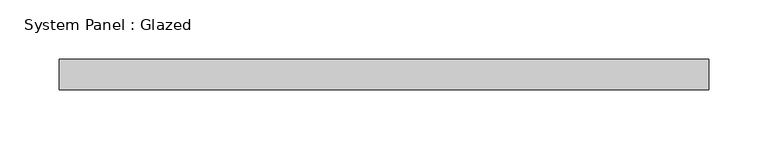
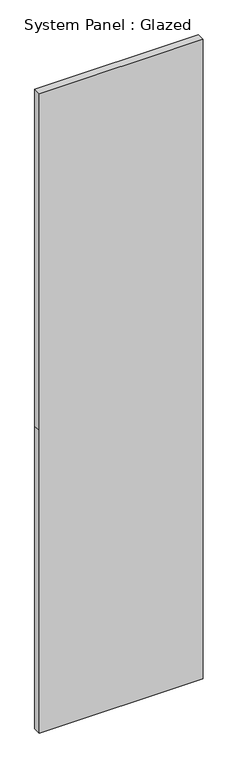
"""IFC4 building model written with IfcOpenShell, lengths in millimetres: plate geometry, System Panel : Glazed."""

from ifc_helpers import new_model, si_unit, frame, origin, place, context, project, spatial, polyline, outline, extrude, source, transform, mapped, element, save


def system_panel_glazed_2f00aa6c(model_context):
    return source(origin(), model_context, "Body", "SweptSolid", [
        extrude(outline(polyline([(0.0, -273.05), (0.0, 273.05), (1066.8, 273.05), (2254.25, 273.05), (2254.25, -273.05), (1066.8, -273.05), (0.0, -273.05)])), frame((0.0, 19.05, 0.0), z_axis=(0.0, 1.0, 0.0), x_axis=(0.0, 0.0, 1.0)), (0.0, 0.0, 1.0), 25.4),
    ])


if __name__ == "__main__":
    model = new_model("IFC4")
    model_context = context("Model", 3, world=origin())
    ifc_project = project(units=[si_unit("LENGTHUNIT", "METRE", prefix="MILLI")], contexts=[model_context])
    site = spatial("IfcSite", under=ifc_project)
    building = spatial("IfcBuilding", under=site)
    placement = place(None, origin())
    system_panel_glazed_shape = system_panel_glazed_2f00aa6c(model_context)
    element("IfcPlate", 1, ObjectType="System Panel : Glazed", at=placement, inside=building, context=model_context, shape_type="MappedRepresentation", body=[
        mapped(system_panel_glazed_shape, transform((0.0, 0.0, 0.0), x_axis=(1.0, 0.0, 0.0), y_axis=(0.0, 1.0, 0.0), z_axis=(0.0, 0.0, 1.0))),
    ])
    save(model, "model.ifc")
